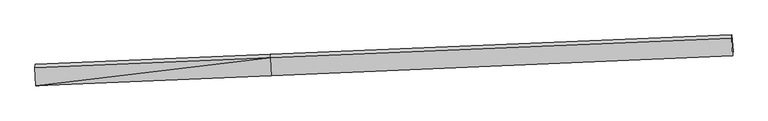
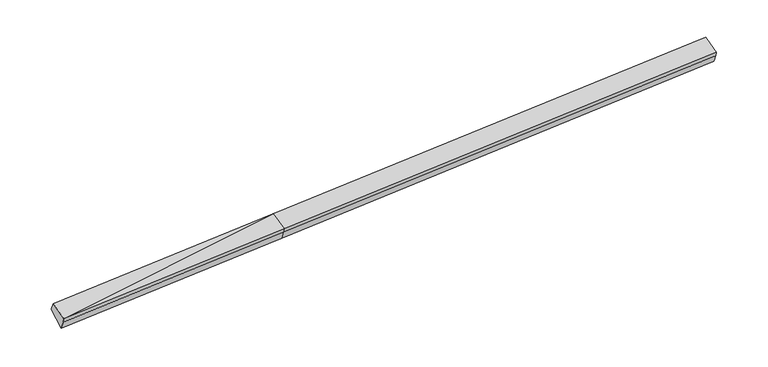
"""IFC4 building model written with IfcOpenShell, lengths in millimetres: proxy geometry."""

from ifc_helpers import new_model, si_unit, frame, origin, place, context, project, spatial, source, transform, mapped, element, save
from ifc_brep_helpers import plane_surface, spline_surface, advanced_brep


def generic_models_8e5a92e8(model_context):
    return source(origin(), model_context, "Body", "AdvancedBrep", [
        advanced_brep(
        [(-11413.4481854, -2418.3265958, 1534.8273246), (-11407.8622175, -2355.6428586, 1352.2555465), (-2767.097056, -1988.6144826, 1742.6430825), (-2772.6830238, -2051.2982198, 1925.2148607), (-11450.2214725, -1765.1190796, 1770.2547682), (-2809.4563109, -1398.0907036, 2160.6423042), (-11441.3895689, -1627.6820156, 1446.8384307), (-2800.6244073, -1260.6536397, 1837.2259667), (-11398.6801921, -2221.9425706, 1024.3467031), (-2757.9150305, -1854.9141946, 1414.7342391), (14157.3674602, -555.8018557, 2650.9619598), (14149.9818464, -677.0091723, 2927.1077616), (14186.7551335, -1330.2166885, 2691.6803181), (14192.3411013, -1267.5329513, 2509.1085399), (14200.076837, -1150.0624107, 2228.4702322)],
        [
            (0, 1),
            (1, 2),
            (2, 3),
            (3, 0),
            (4, 0),
            (0, 5),
            (5, 4),
            (6, 4),
            (5, 7),
            (7, 6),
            (8, 6),
            (7, 9),
            (9, 8),
            (1, 8),
            (9, 2),
            (10, 11),
            (11, 12),
            (12, 13),
            (13, 14),
            (14, 10),
            (3, 5),
            (5, 11),
            (10, 7),
            (3, 12),
            (2, 13),
            (9, 14),
        ],
        [
            plane_surface(frame((-11410.6552015, -2386.9847272, 1443.5414356), z_axis=(0.05471762921052905, -0.9449025289194429, -0.32274632746976456), x_axis=(0.028925795123558952, 0.32459494760247637, -0.9454107141171056))),
            plane_surface(frame((-11431.8348289, -2091.7228377, 1652.5410464), z_axis=(-0.028007993590797125, -0.3403292690781978, 0.9398891109613504), x_axis=(0.05288748196158614, -0.9394455452764316, -0.3385926486384945))),
            plane_surface(frame((-11445.8055207, -1696.4005476, 1608.5465994), z_axis=(-0.05663627082861964, 0.9194246715920309, 0.3891665531549616), x_axis=(-0.025125021837389305, -0.39098131029334177, 0.9200556223832189))),
            plane_surface(frame((-11420.0348805, -1924.8122931, 1235.5925669), z_axis=(0.012165528128187254, 0.5799763157500436, -0.8145424931176816), x_axis=(-0.05847478827954445, 0.8136213336497858, 0.5784470801772679))),
            plane_surface(frame((-11403.2712048, -2288.7927146, 1188.3011248), z_axis=(0.05626347491322093, -0.9250689777626364, -0.37560858319782897), x_axis=(0.02592052664676215, 0.3774310893135387, -0.9256748344413118))),
            plane_surface(frame((14177.3044757, -996.1246157, 2601.4657623), z_axis=(0.998206545704661, 0.04021193801572907, 0.0443474030061256), x_axis=(-0.024482766761806173, -0.40179334220973917, 0.9154030283364888))),
            plane_surface(frame((-11422.3203273, -2077.742624, 1425.7045546), z_axis=(-0.9982065457046612, -0.04021193801573171, -0.044347403006121264), x_axis=(-0.028925795123556152, -0.32459494760247637, 0.9454107141171058))),
            plane_surface(frame((-11413.4481854, -2418.3265958, 1534.8273246), z_axis=(-0.02800799359079827, -0.3403292690781899, 0.9398891109613533), x_axis=(0.05288748196158335, -0.9394455452764346, -0.3385926486384866))),
            spline_surface(1, 1, [[(-2800.6244073, -1260.6536397, 1837.2259667), (14157.3674602, -555.8018557, 2650.9619598)], [(-2809.4563109, -1398.0907036, 2160.6423042), (14149.9818464, -677.0091723, 2927.1077616)]], [2, 2], [2, 2], [0.0, 1.0], [0.0, 1.0]),
            plane_surface(frame((-2791.0696674, -1724.6944617, 2042.9285825), z_axis=(-0.028007262302086746, -0.34032923960914163, 0.9398891434235239), x_axis=(0.05288748196158491, -0.9394455452764345, -0.3385926486384866))),
            plane_surface(frame((-2769.8900399, -2019.9563512, 1833.9289716), z_axis=(0.05476141409729334, -0.9449006681847346, -0.3227443489669603), x_axis=(0.028925795123556152, 0.32459494760247637, -0.9454107141171058))),
            spline_surface(1, 1, [[(-2767.097056, -1988.6144826, 1742.6430825), (14192.3411013, -1267.5329513, 2509.1085399)], [(-2757.9150305, -1854.9141946, 1414.7342391), (14200.076837, -1150.0624107, 2228.4702322)]], [2, 2], [2, 2], [0.0, 1.0], [0.0, 1.0]),
            plane_surface(frame((-2779.2697189, -1557.7839171, 1625.9801029), z_axis=(0.014968972691179055, 0.5800880343447412, -0.81441623403922), x_axis=(-0.05847478827954835, 0.8136213336497747, 0.5784470801772831))),
        ],
        [
            (0, [[1, 2, 3, 4]]),
            (1, [[5, 6, 7]]),
            (2, [[8, -7, 9, 10]]),
            (3, [[11, -10, 12, 13]]),
            (4, [[14, -13, 15, -2]]),
            (5, [[16, 17, 18, 19, 20]]),
            (6, [[-1, -5, -8, -11, -14]]),
            (7, [[21, -6, -4]]),
            (8, [[-9, 22, -16, 23]]),
            (9, [[-21, 24, -17, -22]]),
            (10, [[-3, 25, -18, -24]]),
            (11, [[-15, 26, -19, -25]]),
            (12, [[-12, -23, -20, -26]]),
        ],
    ),
    ])


if __name__ == "__main__":
    model = new_model("IFC4")
    model_context = context("Model", 3, world=origin())
    ifc_project = project(units=[si_unit("LENGTHUNIT", "METRE", prefix="MILLI")], contexts=[model_context])
    site = spatial("IfcSite", under=ifc_project)
    building = spatial("IfcBuilding", under=site)
    placement = place(None, origin())
    generic_models_shape = generic_models_8e5a92e8(model_context)
    element("IfcBuildingElementProxy", 1, Name="Generic Models", at=placement, inside=building, context=model_context, shape_type="MappedRepresentation", body=[
        mapped(generic_models_shape, transform((0.0, 0.0, 0.0), x_axis=(1.0, 0.0, 0.0), y_axis=(0.0, 1.0, 0.0), z_axis=(0.0, 0.0, 1.0))),
    ])
    save(model, "model.ifc")
